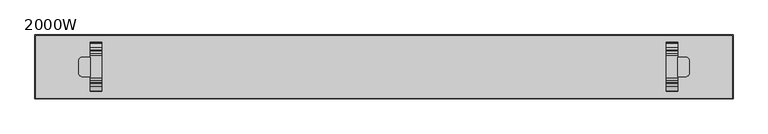
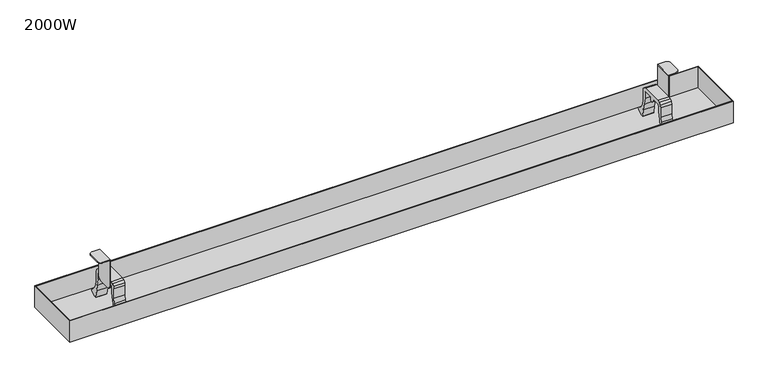
"""IFC4 building model written with IfcOpenShell, lengths in millimetres: furniture geometry, 2000W."""

from ifc_helpers import new_model, si_unit, point, frame, frame_2d, origin, place, context, project, spatial, polyline, circle_curve, trimmed, segment, composite_curve, outline, extrude, faceted_brep, source, transform, mapped, element, save
from ifc_brep_helpers import plane_surface, cylinder_surface, advanced_brep


def furniture_2000w_1d70a836(model_context):
    return source(origin(), model_context, "Body", "SolidModel", [
        extrude(outline(composite_curve([segment(polyline([(28.25, 655.6089449), (34.75, 653.8672752), (39.5083302, 649.1089449), (41.25, 642.6089449), (41.25, 615.6089449), (42.9555126, 601.8121279), (49.9457921, 589.7956007), (61.0960118, 581.4929784), (62.5288578, 580.072514), (62.737976, 578.0657663), (61.6287805, 576.3804021), (49.988664, 567.6162242), (49.988664, 564.2297166), (51.9354374, 563.6484872), (53.2695938, 561.9968693), (53.406724, 559.8781409), (52.2966018, 558.0683222), (42.3770369, 549.4873279)]), True, "CONTINUOUS"), segment(trimmed(circle_curve(frame_2d((41.6448692, 550.1324462)), 0.9758316), [point((42.3770369, 549.4873279))], [point((40.6690514, 550.1272622))], False, "CARTESIAN"), True, "CONTINUOUS"), segment(polyline([(40.6690514, 550.1272622), (40.6597451, 551.8790344), (40.8692786, 553.618255), (41.2943712, 555.3176928), (41.9578918, 557.08863), (42.988664, 559.1689888), (42.988664, 567.673425), (39.9005757, 587.3273398), (36.0103541, 606.457322), (31.25, 625.5024109), (31.25, 642.6089449), (30.8480762, 644.1089449), (29.75, 645.2070212), (28.25, 645.6089449), (5.75, 645.6089449), (5.75, 640.6089449), (4.6518477, 637.2291797), (1.7768477, 635.14037), (-1.7768477, 635.14037), (-4.6518477, 637.2291797), (-5.75, 640.6089449), (-5.75, 645.6089449), (-28.25, 645.6089449), (-29.75, 645.2070212), (-30.8480762, 644.1089449), (-31.25, 642.6089449), (-31.25, 625.5024109), (-36.0103541, 606.457322), (-39.9005757, 587.3273398), (-42.988664, 567.673425), (-42.988664, 559.1689888), (-41.9578918, 557.08863), (-41.2943712, 555.3176928), (-40.8692786, 553.618255), (-40.6597451, 551.8790344), (-40.6690514, 550.1272622)]), True, "CONTINUOUS"), segment(trimmed(circle_curve(frame_2d((-41.6448692, 550.1324462)), 0.9758316), [point((-40.6690514, 550.1272622))], [point((-42.3770369, 549.4873279))], False, "CARTESIAN"), True, "CONTINUOUS"), segment(polyline([(-42.3770369, 549.4873279), (-52.2966018, 558.0683222), (-53.406724, 559.8781409), (-53.2695938, 561.9968693), (-51.9354374, 563.6484872), (-49.988664, 564.2297166), (-49.988664, 567.6162242), (-61.6287805, 576.3804021), (-62.737976, 578.0657663), (-62.5288578, 580.072514), (-61.0960118, 581.4929784), (-49.9457921, 589.7956007), (-42.9555126, 601.8121279), (-41.25, 615.6089449), (-41.25, 642.6089449), (-39.5083302, 649.1089449), (-34.75, 653.8672752), (-28.25, 655.6089449), (28.25, 655.6089449)]), True, "CONTINUOUS")], self_intersect=False)), frame((723.0, 0.0, 0.0), z_axis=(1.0, 0.0, 0.0), x_axis=(0.0, 1.0, 0.0)), (0.0, 0.0, 1.0), 30.0),
        extrude(outline(composite_curve([segment(polyline([(28.25, 655.6089449), (34.75, 653.8672752), (39.5083302, 649.1089449), (41.25, 642.6089449), (41.25, 615.6089449), (42.9555126, 601.8121279), (49.9457921, 589.7956007), (61.0960118, 581.4929784), (62.5288578, 580.072514), (62.737976, 578.0657663), (61.6287805, 576.3804021), (49.988664, 567.6162242), (49.988664, 564.2297166), (51.9354374, 563.6484872), (53.2695938, 561.9968693), (53.406724, 559.8781409), (52.2966018, 558.0683222), (42.3770369, 549.4873279)]), True, "CONTINUOUS"), segment(trimmed(circle_curve(frame_2d((41.6448692, 550.1324462)), 0.9758316), [point((42.3770369, 549.4873279))], [point((40.6690514, 550.1272622))], False, "CARTESIAN"), True, "CONTINUOUS"), segment(polyline([(40.6690514, 550.1272622), (40.6597451, 551.8790344), (40.8692786, 553.618255), (41.2943712, 555.3176928), (41.9578918, 557.08863), (42.988664, 559.1689888), (42.988664, 567.673425), (39.9005757, 587.3273398), (36.0103541, 606.457322), (31.25, 625.5024109), (31.25, 642.6089449), (30.8480762, 644.1089449), (29.75, 645.2070212), (28.25, 645.6089449), (5.75, 645.6089449), (5.75, 640.6089449), (4.6518477, 637.2291797), (1.7768477, 635.14037), (-1.7768477, 635.14037), (-4.6518477, 637.2291797), (-5.75, 640.6089449), (-5.75, 645.6089449), (-28.25, 645.6089449), (-29.75, 645.2070212), (-30.8480762, 644.1089449), (-31.25, 642.6089449), (-31.25, 625.5024109), (-36.0103541, 606.457322), (-39.9005757, 587.3273398), (-42.988664, 567.673425), (-42.988664, 559.1689888), (-41.9578918, 557.08863), (-41.2943712, 555.3176928), (-40.8692786, 553.618255), (-40.6597451, 551.8790344), (-40.6690514, 550.1272622)]), True, "CONTINUOUS"), segment(trimmed(circle_curve(frame_2d((-41.6448692, 550.1324462)), 0.9758316), [point((-40.6690514, 550.1272622))], [point((-42.3770369, 549.4873279))], False, "CARTESIAN"), True, "CONTINUOUS"), segment(polyline([(-42.3770369, 549.4873279), (-52.2966018, 558.0683222), (-53.406724, 559.8781409), (-53.2695938, 561.9968693), (-51.9354374, 563.6484872), (-49.988664, 564.2297166), (-49.988664, 567.6162242), (-61.6287805, 576.3804021), (-62.737976, 578.0657663), (-62.5288578, 580.072514), (-61.0960118, 581.4929784), (-49.9457921, 589.7956007), (-42.9555126, 601.8121279), (-41.25, 615.6089449), (-41.25, 642.6089449), (-39.5083302, 649.1089449), (-34.75, 653.8672752), (-28.25, 655.6089449), (28.25, 655.6089449)]), True, "CONTINUOUS")], self_intersect=False)), frame((-753.0, 0.0, 0.0), z_axis=(1.0, 0.0, 0.0), x_axis=(0.0, 1.0, 0.0)), (0.0, 0.0, 1.0), 30.0),
        faceted_brep([(893.0, 80.0, 567.0), (-893.0, 80.0, 567.0), (-893.0, -80.0, 567.0), (893.0, -80.0, 567.0), (893.0, 80.0, 626.0), (-893.0, 80.0, 626.0), (-893.0, -80.0, 626.0), (893.0, -80.0, 626.0), (895.0, -82.0, 626.0), (895.0, 82.0, 626.0), (-895.0, 82.0, 626.0), (-895.0, -82.0, 626.0), (895.0, -82.0, 565.0), (-895.0, -82.0, 565.0), (-895.0, 82.0, 565.0), (895.0, 82.0, 565.0)], [[[0, 1, 2, 3]], [[1, 0, 4, 5]], [[2, 1, 5, 6]], [[3, 2, 6, 7]], [[0, 3, 7, 4]], [[8, 9, 10, 11], [5, 4, 7, 6]], [[12, 13, 14, 15]], [[9, 8, 12, 15]], [[10, 9, 15, 14]], [[11, 10, 14, 13]], [[8, 11, 13, 12]]]),
        extrude(outline(composite_curve([segment(trimmed(circle_curve(frame_2d((773.0, 14.9999998)), 10.0), [point((773.0, 24.9999998))], [point((783.0, 14.9999998))], False, "CARTESIAN"), True, "CONTINUOUS"), segment(polyline([(783.0, 14.9999998), (783.0, -15.0000002)]), True, "CONTINUOUS"), segment(trimmed(circle_curve(frame_2d((773.0, -15.0000002)), 10.0), [point((783.0, -15.0000002))], [point((773.0, -25.0000002))], False, "CARTESIAN"), True, "CONTINUOUS"), segment(polyline([(773.0, -25.0000002), (753.0, -25.0000002), (753.0, 24.9999998), (773.0, 24.9999998)]), True, "CONTINUOUS")], self_intersect=False)), frame((0.0, 0.0, 713.6089449), z_axis=(0.0, 0.0, 1.0), x_axis=(1.0, 0.0, 0.0)), (0.0, 0.0, 1.0), 2.0),
        extrude(outline(polyline([(24.9999998, 640.6089449), (23.6602538, 635.6089449), (19.9999998, 631.9486909), (14.9999998, 630.6089449), (-15.0000002, 630.6089449), (-20.0000002, 631.9486909), (-23.6602542, 635.6089449), (-25.0000002, 640.6089449), (-25.0000002, 715.6089449), (24.9999998, 715.6089449), (24.9999998, 640.6089449)])), frame((753.0, 0.0, 0.0), z_axis=(1.0, 0.0, 0.0), x_axis=(0.0, 1.0, 0.0)), (0.0, 0.0, 1.0), 2.0),
        advanced_brep(
        [(-753.0, 24.9999998, 715.6089449), (-773.0, 24.9999998, 715.6089449), (-783.0, 14.9999998, 715.6089449), (-783.0, -15.0000002, 715.6089449), (-773.0, -25.0000002, 715.6089449), (-753.0, -25.0000002, 715.6089449), (-773.0, -25.0000002, 713.6089449), (-783.0, -15.0000002, 713.6089449), (-783.0, 14.9999998, 713.6089449), (-773.0, 24.9999998, 713.6089449), (-755.0, 24.9999998, 713.6089449), (-755.0, -25.0000002, 713.6089449), (-755.0, -25.0000002, 640.6089449), (-753.0, -25.0000002, 640.6089449), (-753.0, -23.6602542, 635.6089449), (-753.0, -20.0000002, 631.9486909), (-753.0, -15.0000002, 630.6089449), (-753.0, 14.9999998, 630.6089449), (-753.0, 19.9999998, 631.9486909), (-753.0, 23.6602538, 635.6089449), (-753.0, 24.9999998, 640.6089449), (-755.0, 24.9999998, 640.6089449), (-755.0, 23.6602538, 635.6089449), (-755.0, 19.9999998, 631.9486909), (-755.0, 14.9999998, 630.6089449), (-755.0, -15.0000002, 630.6089449), (-755.0, -20.0000002, 631.9486909), (-755.0, -23.6602542, 635.6089449)],
        [
            (0, 1),
            (1, 2, circle_curve(frame((-773.0, 14.9999998, 715.6089449), z_axis=(0.0, 0.0, 1.0), x_axis=(1.0, 0.0, 0.0)), 10.0)),
            (2, 3),
            (3, 4, circle_curve(frame((-773.0, -15.0000002, 715.6089449), z_axis=(0.0, 0.0, 1.0), x_axis=(1.0, 0.0, 0.0)), 10.0)),
            (4, 5),
            (5, 0),
            (6, 7, circle_curve(frame((-773.0, -15.0000002, 713.6089449), z_axis=(0.0, 0.0, -1.0), x_axis=(1.0, 0.0, 0.0)), 10.0)),
            (7, 8),
            (8, 9, circle_curve(frame((-773.0, 14.9999998, 713.6089449), z_axis=(0.0, 0.0, -1.0), x_axis=(1.0, 0.0, 0.0)), 10.0)),
            (9, 10),
            (10, 11),
            (11, 6),
            (2, 8),
            (7, 3),
            (4, 6),
            (11, 12),
            (12, 13),
            (13, 5),
            (13, 14),
            (14, 15),
            (15, 16),
            (16, 17),
            (17, 18),
            (18, 19),
            (19, 20),
            (20, 0),
            (20, 21),
            (21, 10),
            (9, 1),
            (21, 22),
            (22, 23),
            (23, 24),
            (24, 25),
            (25, 26),
            (26, 27),
            (27, 12),
            (27, 14),
            (26, 15),
            (25, 16),
            (24, 17),
            (23, 18),
            (22, 19),
        ],
        [
            plane_surface(frame((-763.0, 14.9999998, 715.6089449), z_axis=(0.0, 0.0, 1.0), x_axis=(0.0, 1.0, 0.0))),
            plane_surface(frame((-763.0, 14.9999998, 713.6089449), z_axis=(0.0, 0.0, -1.0), x_axis=(0.0, -1.0, 0.0))),
            plane_surface(frame((-783.0, 14.9999998, 715.6089449), z_axis=(-1.0, 0.0, 0.0), x_axis=(0.0, 0.0, -1.0))),
            plane_surface(frame((-773.0, -25.0000002, 715.6089449), z_axis=(0.0, -1.0, 0.0), x_axis=(0.0, 0.0, -1.0))),
            plane_surface(frame((-753.0, -25.0000002, 715.6089449), z_axis=(1.0, 0.0, 0.0), x_axis=(0.0, 0.0, -1.0))),
            plane_surface(frame((-753.0, 24.9999998, 715.6089449), z_axis=(0.0, 1.0, 0.0), x_axis=(0.0, 0.0, -1.0))),
            plane_surface(frame((-755.0, 24.9999998, 715.6089449), z_axis=(-1.0, 0.0, 0.0), x_axis=(0.0, 0.0, -1.0))),
            plane_surface(frame((-753.0, -25.0000002, 640.6089449), z_axis=(0.0, -0.9659258262890794, -0.25881904510247955), x_axis=(-1.0, 0.0, 0.0))),
            plane_surface(frame((-753.0, -23.6602542, 635.6089449), z_axis=(0.0, -0.7071067811865787, -0.7071067811865165), x_axis=(-1.0, 0.0, 0.0))),
            plane_surface(frame((-753.0, -20.0000002, 631.9486909), z_axis=(0.0, -0.2588190451025777, -0.9659258262890531), x_axis=(-1.0, 0.0, 0.0))),
            plane_surface(frame((-753.0, -15.0000002, 630.6089449), z_axis=(0.0, 0.0, -1.0), x_axis=(-1.0, 0.0, 0.0))),
            plane_surface(frame((-753.0, 14.9999998, 630.6089449), z_axis=(0.0, 0.2588190451024751, -0.9659258262890805), x_axis=(-1.0, 0.0, 0.0))),
            plane_surface(frame((-753.0, 19.9999998, 631.9486909), z_axis=(0.0, 0.7071067811865112, -0.7071067811865839), x_axis=(-1.0, 0.0, 0.0))),
            plane_surface(frame((-753.0, 23.6602538, 635.6089449), z_axis=(0.0, 0.9659258262890469, -0.2588190451026009), x_axis=(-1.0, 0.0, 0.0))),
            cylinder_surface(frame((-773.0, 14.9999998, 713.6089449), z_axis=(0.0, 0.0, 1.0), x_axis=(1.0, 0.0, 0.0)), 10.0),
            cylinder_surface(frame((-773.0, -15.0000002, 713.6089449), z_axis=(0.0, 0.0, 1.0), x_axis=(1.0, 0.0, 0.0)), 10.0),
        ],
        [
            (0, [[1, 2, 3, 4, 5, 6]]),
            (1, [[7, 8, 9, 10, 11, 12]]),
            (2, [[-3, 13, -8, 14]]),
            (3, [[15, -12, 16, 17, 18, -5]]),
            (4, [[-6, -18, 19, 20, 21, 22, 23, 24, 25, 26]]),
            (5, [[-26, 27, 28, -10, 29, -1]]),
            (6, [[30, 31, 32, 33, 34, 35, 36, -16, -11, -28]]),
            (7, [[-19, -17, -36, 37]]),
            (8, [[-20, -37, -35, 38]]),
            (9, [[-21, -38, -34, 39]]),
            (10, [[-22, -39, -33, 40]]),
            (11, [[-23, -40, -32, 41]]),
            (12, [[-24, -41, -31, 42]]),
            (13, [[-25, -42, -30, -27]]),
            (14, [[-2, -29, -9, -13]]),
            (15, [[-4, -14, -7, -15]]),
        ],
    ),
    ])


if __name__ == "__main__":
    model = new_model("IFC4")
    model_context = context("Model", 3, world=origin())
    ifc_project = project(units=[si_unit("LENGTHUNIT", "METRE", prefix="MILLI")], contexts=[model_context])
    site = spatial("IfcSite", under=ifc_project)
    building = spatial("IfcBuilding", under=site)
    placement = place(None, origin())
    furniture_2000w_shape = furniture_2000w_1d70a836(model_context)
    element("IfcFurniture", 1, ObjectType="2000W", at=placement, inside=building, context=model_context, shape_type="MappedRepresentation", body=[
        mapped(furniture_2000w_shape, transform((0.0, 0.0, 0.0), x_axis=(1.0, 0.0, 0.0), y_axis=(0.0, 1.0, 0.0), z_axis=(0.0, 0.0, 1.0))),
    ])
    save(model, "model.ifc")
